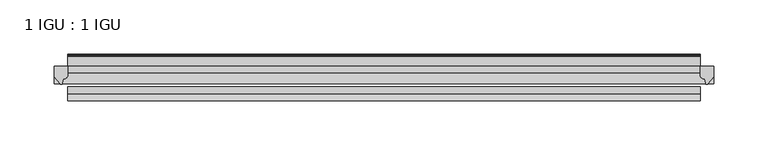
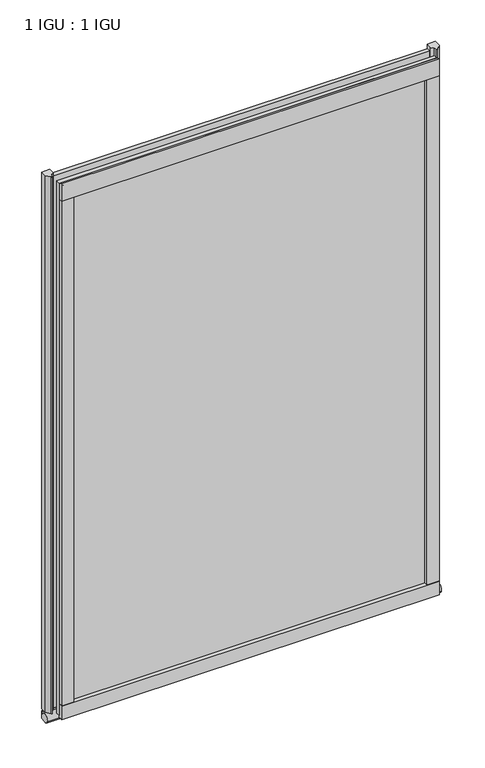
"""IFC4 building model written with IfcOpenShell, lengths in millimetres: plate geometry, 1 IGU : 1 IGU."""

from ifc_helpers import new_model, si_unit, point, frame, frame_2d, origin, place, context, project, spatial, polyline, circle_curve, ellipse_curve, trimmed, segment, composite_curve, outline, extrude, source, transform, mapped, element, save
from ifc_brep_helpers import plane_surface, revolved_surface, extruded_surface, advanced_brep


def plate_1_igu_1_igu_08a3316a(model_context):
    return source(origin(), model_context, "Body", "SolidModel", [
        extrude(outline(polyline([(292.1, 0.0021347), (292.1, -6.2992), (-292.1, -6.2992), (-292.1, 0.0021347), (292.1, 0.0021347)])), frame((0.0, 0.0, -19.05), z_axis=(0.0, 0.0, 1.0), x_axis=(1.0, 0.0, 0.0)), (0.0, 0.0, 1.0), 869.9368072),
        extrude(outline(polyline([(-292.1, -19.0986653), (292.1, -19.0986653), (292.1, -25.3978653), (-292.1, -25.3978653), (-292.1, -19.0986653)])), frame((0.0, 0.0, -19.05), z_axis=(0.0, 0.0, 1.0), x_axis=(1.0, 0.0, 0.0)), (0.0, 0.0, 1.0), 869.9368072),
        advanced_brep(
        [(304.8, -2.9334208, -29.3692082), (304.8, -15.7658436, -30.8313288), (304.8, -6.7904952, -34.925), (304.8, 0.0, -34.925), (304.8, 0.0, -22.225), (304.8, -2.5187477, -22.225), (-304.8, -2.9073519, -29.3720514), (-304.8, -2.5187477, -22.225), (-304.8, 0.0, -22.225), (-304.8, 0.0, -34.925), (-304.8, -6.7904952, -34.925), (-304.8, -15.7658436, -30.8313288)],
        [
            (0, 1, ellipse_curve(frame((304.8, -9.5065066, -28.575), z_axis=(1.0, 0.0, 0.0), x_axis=(0.0, 0.0, -1.0)), 6.9638038, 6.6162554)),
            (1, 2, ellipse_curve(frame((304.8, -9.5065066, -28.575), z_axis=(1.0, 0.0, 0.0), x_axis=(0.0, 0.0, -1.0)), 6.9638038, 6.6162554)),
            (2, 3),
            (3, 4, circle_curve(frame((304.8, 24.1576838, -28.575), z_axis=(-1.0, 0.0, 0.0), x_axis=(0.0, 0.0, 1.0)), 24.9783143)),
            (4, 5),
            (5, 0, circle_curve(frame((304.8, -68.4358767, -22.225), z_axis=(-1.0, 0.0, 0.0), x_axis=(0.0, 0.0, 1.0)), 65.917129)),
            (6, 7, circle_curve(frame((-304.8, -68.4358767, -22.225), z_axis=(1.0, 0.0, 0.0), x_axis=(0.0, 0.0, 1.0)), 65.917129)),
            (7, 8),
            (8, 9, circle_curve(frame((-304.8, 24.1576838, -28.575), z_axis=(1.0, 0.0, 0.0), x_axis=(0.0, 0.0, 1.0)), 24.9783143)),
            (9, 10),
            (10, 11, ellipse_curve(frame((-304.8, -9.5065066, -28.575), z_axis=(-1.0, 0.0, 0.0), x_axis=(0.0, 0.0, -1.0)), 6.9638038, 6.6162554)),
            (11, 6, ellipse_curve(frame((-304.8, -9.5065066, -28.575), z_axis=(-1.0, 0.0, 0.0), x_axis=(0.0, 0.0, -1.0)), 6.9638038, 6.6162554)),
            (0, 6),
            (11, 1),
            (10, 2),
            (9, 3),
            (8, 4),
            (7, 5),
        ],
        [
            plane_surface(frame((304.8, 0.0, -28.575), z_axis=(1.0, 0.0, 0.0), x_axis=(0.0, 1.0, 0.0))),
            plane_surface(frame((-304.8, 0.0, -28.575), z_axis=(-1.0, 0.0, 0.0), x_axis=(0.0, 1.0, 0.0))),
            extruded_surface(trimmed(ellipse_curve(frame((-304.8, -9.5065066, -28.575), z_axis=(1.0, 0.0, 0.0), x_axis=(0.0, 0.0, -1.0)), 6.9638038, 6.6162554), [point((-304.8, -2.9334208, -29.3692082))], [point((-304.8, -15.7658436, -30.8313288))], True, "CARTESIAN"), (609.6, 0.0, 0.0), 609.6),
            extruded_surface(trimmed(ellipse_curve(frame((-304.8, -9.5065066, -28.575), z_axis=(1.0, 0.0, 0.0), x_axis=(0.0, 0.0, -1.0)), 6.9638038, 6.6162554), [point((-304.8, -15.7658436, -30.8313288))], [point((-304.8, -6.7904952, -34.925))], True, "CARTESIAN"), (609.6, 0.0, 0.0), 609.6),
            plane_surface(frame((304.8, -6.7904952, -34.925), z_axis=(0.0, 0.0, -1.0), x_axis=(-1.0, 0.0, 0.0))),
            revolved_surface(polyline([(-304.8, 24.1576838, -3.5966856999999983), (304.8, 24.1576838, -3.5966856999999983)]), (304.8, 24.1576838, -28.575), (-1.0, 0.0, 0.0)),
            plane_surface(frame((304.8, 0.0, -22.225), z_axis=(0.0, 0.0, 1.0), x_axis=(-1.0, 0.0, 0.0))),
            revolved_surface(polyline([(-304.8, -68.4358767, 43.692129), (304.8, -68.4358767, 43.692129)]), (304.8, -68.4358767, -22.225), (-1.0, 0.0, 0.0)),
        ],
        [
            (0, [[1, 2, 3, 4, 5, 6]]),
            (1, [[7, 8, 9, 10, 11, 12]]),
            (2, [[-1, 13, -12, 14]]),
            (3, [[-2, -14, -11, 15]]),
            (4, [[-3, -15, -10, 16]]),
            (5, [[-4, -16, -9, 17]]),
            (6, [[-5, -17, -8, 18]]),
            (7, [[-6, -18, -7, -13]]),
        ],
    ),
        extrude(outline(composite_curve([segment(polyline([(304.8, 0.0), (304.8, -9.7395025), (299.2337691, -16.3730781)]), True, "CONTINUOUS"), segment(trimmed(circle_curve(frame_2d((298.2800941, -15.7728374)), 1.1268473), [point((299.2337691, -16.3730781))], [point((297.1791412, -16.0130197))], False, "CARTESIAN"), True, "CONTINUOUS"), segment(polyline([(297.1791412, -16.0130197), (296.1989498, -11.7377885)]), True, "CONTINUOUS"), segment(trimmed(circle_curve(frame_2d((296.0714979, -7.7683362)), 3.9714979), [point((296.1989498, -11.7377885))], [point((292.1001786, -7.8060014))], False, "CARTESIAN"), True, "CONTINUOUS"), segment(polyline([(292.1001786, -7.8060014), (292.1001786, 0.0), (304.8, 0.0)]), True, "CONTINUOUS")], self_intersect=False)), frame((0.0, 0.0, -19.05), z_axis=(0.0, 0.0, 1.0), x_axis=(1.0, 0.0, 0.0)), (0.0, 0.0, 1.0), 877.0742072),
        extrude(outline(composite_curve([segment(polyline([(-292.1, 8.8e-06), (-292.1, -7.7683362)]), True, "CONTINUOUS"), segment(trimmed(circle_curve(frame_2d((-296.0714979, -7.7683362)), 3.9714979), [point((-292.1, -7.7683362))], [point((-296.1989498, -11.7377885))], False, "CARTESIAN"), True, "CONTINUOUS"), segment(polyline([(-296.1989498, -11.7377885), (-297.1789843, -16.012436)]), True, "CONTINUOUS"), segment(trimmed(circle_curve(frame_2d((-298.2801933, -15.7723555)), 1.1270758), [point((-297.1789843, -16.012436))], [point((-299.2340327, -16.372764))], False, "CARTESIAN"), True, "CONTINUOUS"), segment(polyline([(-299.2340327, -16.372764), (-304.8, -9.7395025), (-304.8, 8.8e-06), (-292.1, 8.8e-06)]), True, "CONTINUOUS")], self_intersect=False)), frame((0.0, 0.0, -19.05), z_axis=(0.0, 0.0, 1.0), x_axis=(1.0, 0.0, 0.0)), (0.0, 0.0, 1.0), 877.0742072),
        extrude(outline(composite_curve([segment(polyline([(-31.75, 0.0), (-25.4, 0.0), (-25.4, -22.225)]), True, "CONTINUOUS"), segment(trimmed(circle_curve(frame_2d((-28.575, -28.9113452)), 7.4018806), [point((-25.4, -22.225))], [point((-31.75, -22.225))], True, "CARTESIAN"), True, "CONTINUOUS"), segment(polyline([(-31.75, -22.225), (-31.75, 0.0)]), True, "CONTINUOUS")], self_intersect=False)), frame((-292.1, 0.0, 0.0), z_axis=(1.0, 0.0, 0.0), x_axis=(0.0, 1.0, 0.0)), (0.0, 0.0, 1.0), 584.2),
        extrude(outline(composite_curve([segment(polyline([(8.509, 840.7300284), (8.509, 838.6980284), (6.35, 838.6980284), (6.35, 833.3640284), (8.9492698, 833.3640284)]), True, "CONTINUOUS"), segment(trimmed(circle_curve(frame_2d((8.208689, 831.8368072)), 1.697311), [point((8.9492698, 833.3640284))], [point((8.962411, 830.3160284))], False, "CARTESIAN"), True, "CONTINUOUS"), segment(polyline([(8.962411, 830.3160284), (6.35, 830.3160284), (6.35, 825.4868072), (11.1252, 825.4868072), (11.1252, 824.5978072)]), True, "CONTINUOUS"), segment(trimmed(circle_curve(frame_2d((10.1092, 824.5978072)), 1.016), [point((11.1252, 824.5978072))], [point((10.1092, 823.5818072))], False, "CARTESIAN"), True, "CONTINUOUS"), segment(trimmed(circle_curve(frame_2d((10.1092, 804.1707318)), 19.4110754), [point((10.1092, 823.5818072))], [point((0.0, 820.7416075))], True, "CARTESIAN"), True, "CONTINUOUS"), segment(polyline([(0.0, 820.7416075), (0.0, 840.7300284), (8.509, 840.7300284)]), True, "CONTINUOUS")], self_intersect=False)), frame((-292.1, 0.0, 0.0), z_axis=(1.0, 0.0, 0.0), x_axis=(0.0, 1.0, 0.0)), (0.0, 0.0, 1.0), 584.2),
        extrude(outline(composite_curve([segment(polyline([(-25.4, 850.8868072), (-25.4, 825.4868072), (-31.75, 825.4868072), (-31.75, 853.6597045)]), True, "CONTINUOUS"), segment(trimmed(circle_curve(frame_2d((-24.1401272, 862.4292187)), 11.6109665), [point((-31.75, 853.6597045))], [point((-25.4, 850.8868072))], True, "CARTESIAN"), True, "CONTINUOUS")], self_intersect=False)), frame((-292.1, 0.0, 0.0), z_axis=(1.0, 0.0, 0.0), x_axis=(0.0, 1.0, 0.0)), (0.0, 0.0, 1.0), 584.2),
        extrude(outline(composite_curve([segment(polyline([(273.05, -25.4), (292.1, -25.4)]), True, "CONTINUOUS"), segment(trimmed(circle_curve(frame_2d((301.5661507, -28.575)), 9.9844196), [point((292.1, -25.4))], [point((292.1, -31.75))], True, "CARTESIAN"), True, "CONTINUOUS"), segment(polyline([(292.1, -31.75), (273.05, -31.75), (273.05, -25.4)]), True, "CONTINUOUS")], self_intersect=False)), frame((0.0, 0.0, -19.05), z_axis=(0.0, 0.0, 1.0), x_axis=(1.0, 0.0, 0.0)), (0.0, 0.0, 1.0), 869.9368072),
        extrude(outline(composite_curve([segment(trimmed(circle_curve(frame_2d((-301.5661507, -28.575)), 9.9844196), [point((-292.1, -31.75))], [point((-292.1, -25.4))], True, "CARTESIAN"), True, "CONTINUOUS"), segment(polyline([(-292.1, -25.4), (-273.05, -25.4), (-273.05, -31.75), (-292.1, -31.75)]), True, "CONTINUOUS")], self_intersect=False)), frame((0.0, 0.0, -19.05), z_axis=(0.0, 0.0, 1.0), x_axis=(1.0, 0.0, 0.0)), (0.0, 0.0, 1.0), 869.9368072),
    ])


if __name__ == "__main__":
    model = new_model("IFC4")
    model_context = context("Model", 3, world=origin())
    ifc_project = project(units=[si_unit("LENGTHUNIT", "METRE", prefix="MILLI")], contexts=[model_context])
    site = spatial("IfcSite", under=ifc_project)
    building = spatial("IfcBuilding", under=site)
    placement = place(None, origin())
    plate_1_igu_1_igu_shape = plate_1_igu_1_igu_08a3316a(model_context)
    element("IfcPlate", 1, ObjectType="1 IGU : 1 IGU", at=placement, inside=building, context=model_context, shape_type="MappedRepresentation", body=[
        mapped(plate_1_igu_1_igu_shape, transform((0.0, 0.0, 0.0), x_axis=(1.0, 0.0, 0.0), y_axis=(0.0, 1.0, 0.0), z_axis=(0.0, 0.0, 1.0))),
    ])
    save(model, "model.ifc")
